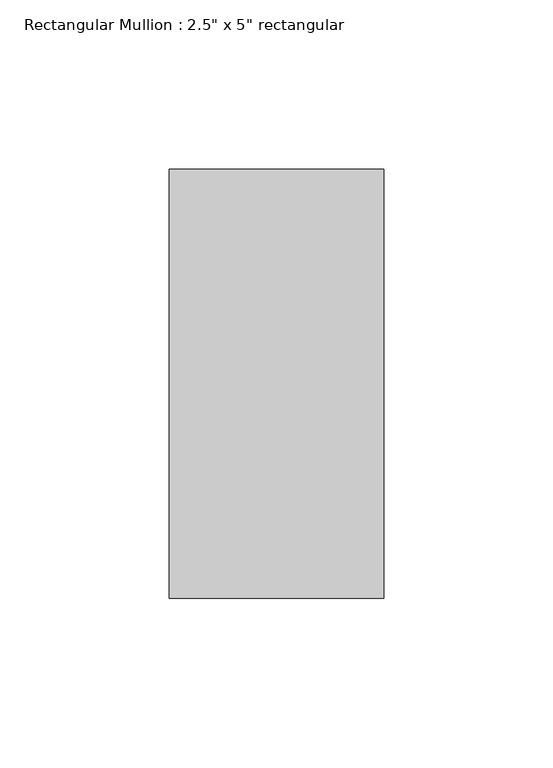
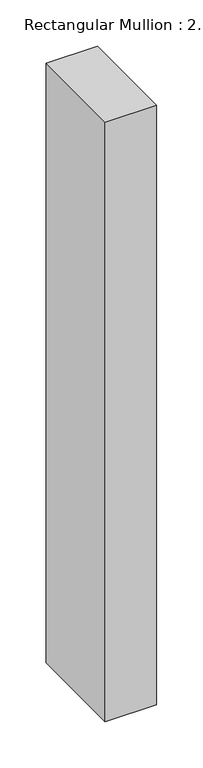
"""IFC4 building model written with IfcOpenShell, lengths in millimetres: member geometry."""

from ifc_helpers import new_model, si_unit, frame, origin, place, context, project, spatial, polyline, outline, extrude, source, transform, mapped, element, save


def member_18a184ad(model_context):
    return source(origin(), model_context, "Body", "SweptSolid", [
        extrude(outline(polyline([(31.75, 63.5), (31.75, -63.5), (-31.75, -63.5), (-31.75, 63.5), (31.75, 63.5)])), frame((0.0, 0.0, -787.4), z_axis=(0.0, 0.0, 1.0), x_axis=(1.0, 0.0, 0.0)), (0.0, 0.0, 1.0), 787.4),
    ])


if __name__ == "__main__":
    model = new_model("IFC4")
    model_context = context("Model", 3, world=origin())
    ifc_project = project(units=[si_unit("LENGTHUNIT", "METRE", prefix="MILLI")], contexts=[model_context])
    site = spatial("IfcSite", under=ifc_project)
    building = spatial("IfcBuilding", under=site)
    placement = place(None, origin())
    member_shape = member_18a184ad(model_context)
    element("IfcMember", 1, ObjectType="Rectangular Mullion : 2.5\" x 5\" rectangular", at=placement, inside=building, context=model_context, shape_type="MappedRepresentation", body=[
        mapped(member_shape, transform((0.0, 0.0, 0.0), x_axis=(1.0, 0.0, 0.0), y_axis=(0.0, 1.0, 0.0), z_axis=(0.0, 0.0, 1.0))),
    ])
    save(model, "model.ifc")
